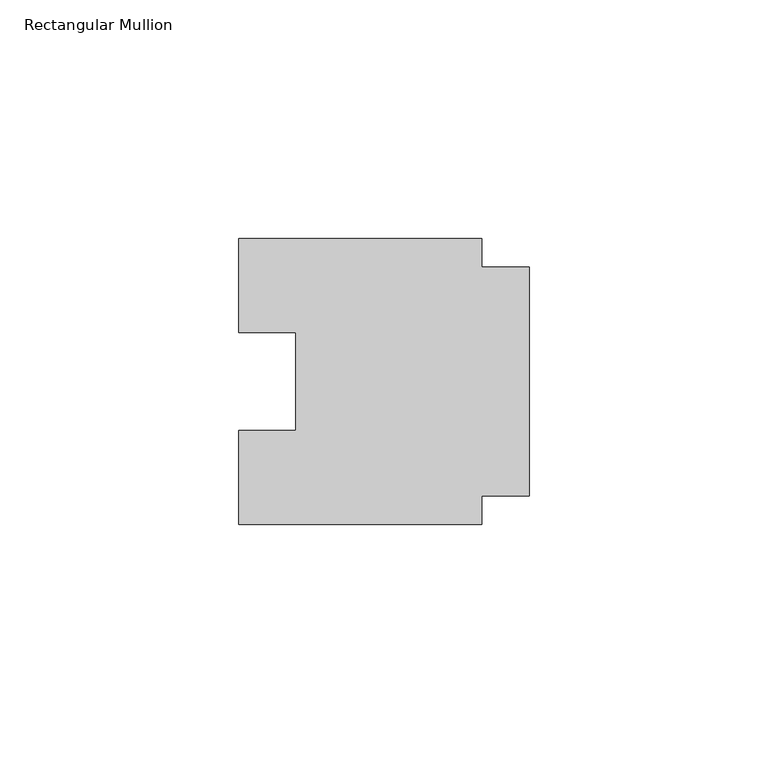
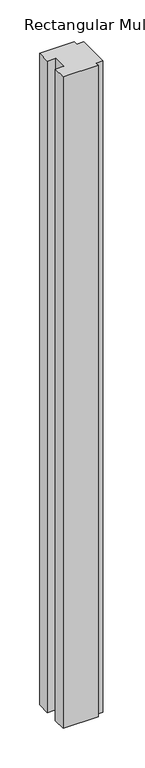
"""IFC4 building model written with IfcOpenShell, lengths in millimetres: member geometry, Rectangular Mullion."""

import ifcopenshell
import ifcopenshell.guid

model = None  # the IFC model being written
_history = None  # IfcOwnerHistory: only IFC2X3 demands one
_inside = {}  # id of a spatial element -> (the spatial element, [elements in it])
_under = {}  # id of a project, library or spatial element -> (it, [spatial elements below it])
_declared = {}  # id of a project -> (the project, [libraries it declares])
_typed = {}  # id of a type object -> (the type object, [elements of that type])
_made_of = {}  # id of a material, layer set ... -> (it, [elements and type objects made of it])


def new_model(schema):
    """Start an empty IFC model of exactly this schema.

    Asked for "IFC4X3", IfcOpenShell would pick the latest addendum, in which some entities
    have other attributes; the version numbers below select the first issue.
    IFC2X3 requires an IfcOwnerHistory on every rooted entity: one is made here for all.
    """
    global model, _history
    if schema == "IFC4X3":
        model = ifcopenshell.file(schema_version=(4, 3, 0, 0))
    else:
        model = ifcopenshell.file(schema=schema)
    _inside.clear()
    _under.clear()
    _declared.clear()
    _typed.clear()
    _made_of.clear()
    _history = None
    if model.schema == "IFC2X3":
        org = make("IfcOrganization", Name="unknown")
        user = make(
            "IfcPersonAndOrganization",
            ThePerson=make("IfcPerson", FamilyName="unknown"),
            TheOrganization=org,
        )
        app = make(
            "IfcApplication",
            ApplicationDeveloper=org,
            Version="unknown",
            ApplicationFullName="unknown",
            ApplicationIdentifier="unknown",
        )
        _history = make(
            "IfcOwnerHistory",
            OwningUser=user,
            OwningApplication=app,
            ChangeAction="ADDED",
            CreationDate=0,
        )
    return model


def make(cls, **values):
    """One entity of the class cls with the attributes given. An attribute that is None is left unset."""
    return model.create_entity(
        cls, **{name: value for name, value in values.items() if value is not None}
    )


def rooted(cls, **values):
    """An entity with a GlobalId (a new one), such as an element, a storey or a relation."""
    return make(cls, GlobalId=ifcopenshell.guid.new(), OwnerHistory=_history, **values)


def si_unit(unit_type, name, prefix=None):
    """IfcSIUnit, for example si_unit("LENGTHUNIT", "METRE", prefix="MILLI")."""
    return make("IfcSIUnit", UnitType=unit_type, Prefix=prefix, Name=name)


def assignment(units):
    """IfcUnitAssignment: the units of a project."""
    return None if units is None else make("IfcUnitAssignment", Units=units)


def point(xyz):
    """IfcCartesianPoint."""
    return None if xyz is None else make("IfcCartesianPoint", Coordinates=xyz)


def direction(xyz):
    """IfcDirection."""
    return None if xyz is None else make("IfcDirection", DirectionRatios=xyz)


def frame(location, z_axis=None, x_axis=None):
    """IfcAxis2Placement3D, a coordinate frame: its origin and axes. An axis left out is left unset."""
    return make(
        "IfcAxis2Placement3D",
        Location=point(location),
        Axis=direction(z_axis),
        RefDirection=direction(x_axis),
    )


def origin():
    """The frame at (0, 0, 0) with its axes left unset."""
    return frame((0.0, 0.0, 0.0))


def place(relative_to, where):
    """IfcLocalPlacement: puts the frame where relative to a parent placement (None: the world)."""
    return make(
        "IfcLocalPlacement", PlacementRelTo=relative_to, RelativePlacement=where
    )


def context(
    kind, dimensions, precision=None, world=None, true_north=None, identifier=None
):
    """IfcGeometricRepresentationContext, for example the 3D "Model" context."""
    return make(
        "IfcGeometricRepresentationContext",
        ContextIdentifier=identifier,
        ContextType=kind,
        CoordinateSpaceDimension=dimensions,
        Precision=precision,
        WorldCoordinateSystem=world,
        TrueNorth=true_north,
    )


def project(units=None, contexts=None):
    """IfcProject with its units and contexts."""
    return rooted(
        "IfcProject",
        Name="project",
        RepresentationContexts=contexts,
        UnitsInContext=assignment(units),
    )


def spatial(cls, under=None, at=None, **own):
    """A site, building, storey or space (cls), placed at a placement, below another one or the project."""
    s = rooted(cls, ObjectPlacement=at, **own)
    if under is not None:
        _under.setdefault(under.id(), (under, []))[1].append(s)
    return s


def polyline(points):
    """IfcPolyline through the points."""
    return make("IfcPolyline", Points=[point(p) for p in points])


def outline(outer, holes=None, kind="AREA"):
    """IfcArbitraryClosedProfileDef: a profile drawn as a closed curve; with holes, ...WithVoids."""
    if holes is None:
        return make("IfcArbitraryClosedProfileDef", ProfileType=kind, OuterCurve=outer)
    return make(
        "IfcArbitraryProfileDefWithVoids",
        ProfileType=kind,
        OuterCurve=outer,
        InnerCurves=holes,
    )


def extrude(swept, where, along, depth):
    """IfcExtrudedAreaSolid: the profile swept, set in the frame where, extruded along a direction by depth."""
    return make(
        "IfcExtrudedAreaSolid",
        SweptArea=swept,
        Position=where,
        ExtrudedDirection=direction(along),
        Depth=depth,
    )


def shape(context_of_items, identifier, shape_type, items):
    """IfcShapeRepresentation: the items that make up one representation, for example the "Body"."""
    return make(
        "IfcShapeRepresentation",
        ContextOfItems=context_of_items,
        RepresentationIdentifier=identifier,
        RepresentationType=shape_type,
        Items=items,
    )


def source(mapping_origin, context_of_items, identifier, shape_type, items):
    """IfcRepresentationMap: a shape defined once, which mapped items show again and again."""
    return make(
        "IfcRepresentationMap",
        MappingOrigin=mapping_origin,
        MappedRepresentation=shape(context_of_items, identifier, shape_type, items),
    )


def transform(
    local_origin,
    x_axis=None,
    y_axis=None,
    z_axis=None,
    scale=None,
    scale2=None,
    scale3=None,
    uniform=True,
):
    """IfcCartesianTransformationOperator3D, or its non-uniform kind. x_axis, y_axis, z_axis: its Axis1, 2, 3."""
    if uniform:
        return make(
            "IfcCartesianTransformationOperator3D",
            Axis1=direction(x_axis),
            Axis2=direction(y_axis),
            LocalOrigin=point(local_origin),
            Scale=scale,
            Axis3=direction(z_axis),
        )
    return make(
        "IfcCartesianTransformationOperator3DnonUniform",
        Axis1=direction(x_axis),
        Axis2=direction(y_axis),
        LocalOrigin=point(local_origin),
        Scale=scale,
        Axis3=direction(z_axis),
        Scale2=scale2,
        Scale3=scale3,
    )


def mapped(mapping_source, mapping_target):
    """IfcMappedItem: shows the shape of a source again, moved by a transform."""
    return make(
        "IfcMappedItem", MappingSource=mapping_source, MappingTarget=mapping_target
    )


def made_of(thing, what):
    """Note that an element or type object is made of a material, layer set ...; save() writes the relation."""
    if what is not None:
        _made_of.setdefault(what.id(), (what, []))[1].append(thing)
    return thing


def element(
    cls,
    number,
    at=None,
    inside=None,
    cuts=None,
    type_object=None,
    material=None,
    context=None,
    identifier="Body",
    shape_type=None,
    held_by="IfcProductDefinitionShape",
    body=None,
    shapes=None,
    **own,
):
    """One element of the class cls, such as IfcWall. Its Tag is "e" and its number.

    at: its placement. inside: the storey or other place that contains it. cuts: it is an
    opening in that element (IfcRelVoidsElement). A single representation is given by context,
    identifier, shape_type and body (its items); several are given by shapes. held_by: the class
    of the entity that holds the representations. save() writes the other relations.
    """
    e = rooted(cls, Tag="e%d" % number, ObjectPlacement=at, **own)
    if body is not None:
        shapes = [shape(context, identifier, shape_type, body)]
    if shapes is not None:
        e.Representation = make(held_by, Representations=shapes)
    if inside is not None:
        _inside.setdefault(inside.id(), (inside, []))[1].append(e)
    if cuts is not None:
        rooted(
            "IfcRelVoidsElement", RelatingBuildingElement=cuts, RelatedOpeningElement=e
        )
    if type_object is not None:
        _typed.setdefault(type_object.id(), (type_object, []))[1].append(e)
    return made_of(e, material)


def aggregate(whole, parts):
    """IfcRelAggregates: a whole, such as a stair, and the parts it consists of."""
    return rooted("IfcRelAggregates", RelatingObject=whole, RelatedObjects=parts)


def save(model, path):
    """Write the relations noted so far, then the file.

    IfcRelAggregates (storeys below a building ...), IfcRelContainedInSpatialStructure (elements
    in a storey), IfcRelDefinesByType, IfcRelAssociatesMaterial and IfcRelDeclares: one each for
    every whole, place, type object, material and project.
    """
    for whole, parts in _under.values():
        aggregate(whole, parts)
    for where, things in _inside.values():
        rooted(
            "IfcRelContainedInSpatialStructure",
            RelatedElements=things,
            RelatingStructure=where,
        )
    for kind, things in _typed.values():
        rooted("IfcRelDefinesByType", RelatedObjects=things, RelatingType=kind)
    for what, things in _made_of.values():
        rooted("IfcRelAssociatesMaterial", RelatedObjects=things, RelatingMaterial=what)
    for by, libraries in _declared.values():
        rooted("IfcRelDeclares", RelatingContext=by, RelatedDefinitions=libraries)
    model.write(path)


def rectangular_mullion_a6b6b4c9(model_context):
    return source(origin(), model_context, "Body", "SweptSolid", [
        extrude(outline(polyline([(-10.0, 24.0), (0.0, 24.0), (0.0, -24.0), (-10.0, -24.0), (-10.0, -30.0), (-61.0, -30.0), (-61.0, -10.25), (-49.0, -10.25), (-49.0, 10.25), (-61.0, 10.25), (-61.0, 30.0), (-10.0, 30.0), (-10.0, 24.0)])), frame((0.0, 0.0, -1006.0000003), z_axis=(0.0, 0.0, 1.0), x_axis=(1.0, 0.0, 0.0)), (0.0, 0.0, 1.0), 1006.0000003),
    ])


if __name__ == "__main__":
    model = new_model("IFC4")
    model_context = context("Model", 3, world=origin())
    ifc_project = project(units=[si_unit("LENGTHUNIT", "METRE", prefix="MILLI")], contexts=[model_context])
    site = spatial("IfcSite", under=ifc_project)
    building = spatial("IfcBuilding", under=site)
    placement = place(None, origin())
    rectangular_mullion_shape = rectangular_mullion_a6b6b4c9(model_context)
    element("IfcMember", 1, ObjectType="Rectangular Mullion", at=placement, inside=building, context=model_context, shape_type="MappedRepresentation", body=[
        mapped(rectangular_mullion_shape, transform((0.0, 0.0, 0.0), x_axis=(1.0, 0.0, 0.0), y_axis=(0.0, 1.0, 0.0), z_axis=(0.0, 0.0, 1.0))),
    ])
    save(model, "model.ifc")
